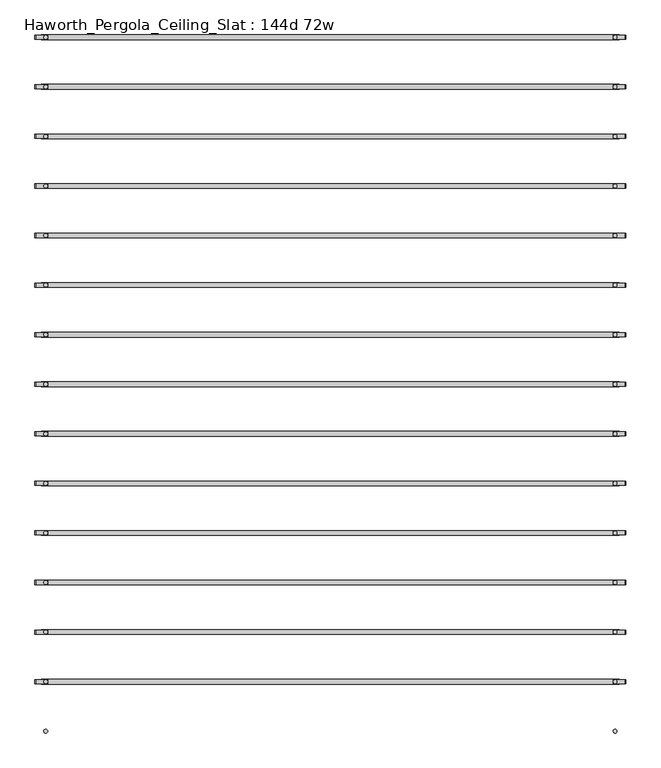
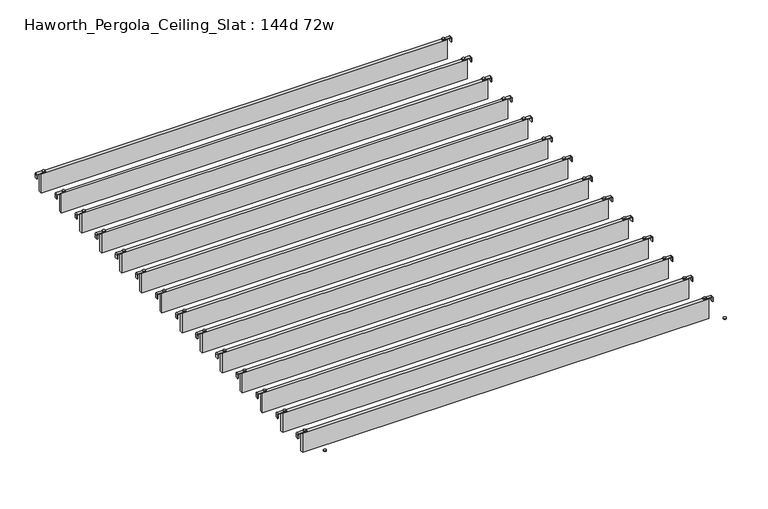
"""IFC4 building model written with IfcOpenShell, lengths in millimetres: furniture geometry, Haworth_Pergola_Ceiling_Slat : 144d 72w."""

from ifc_helpers import new_model, si_unit, point, frame, frame_2d, origin, place, context, project, spatial, polyline, circle_curve, trimmed, segment, composite_curve, outline, extrude, source, transform, mapped, element, save


def haworth_pergola_ceiling_slat_144d_72w_af443909(model_context):
    return source(origin(), model_context, "Body", "SweptSolid", [
        extrude(outline(composite_curve([segment(trimmed(circle_curve(frame_2d((938.8, 307.8756087)), 5.9838099), [point((932.8161901, 307.8756087))], [point((944.7838099, 307.8756087))], False, "CARTESIAN"), True, "CONTINUOUS"), segment(trimmed(circle_curve(frame_2d((938.8, 307.8756087)), 5.9838099), [point((944.7838099, 307.8756087))], [point((932.8161901, 307.8756087))], False, "CARTESIAN"), True, "CONTINUOUS")], self_intersect=False)), frame((0.0, 0.0, 2440.9329992), z_axis=(0.0, 0.0, 1.0), x_axis=(1.0, 0.0, 0.0)), (0.0, 0.0, 1.0), 3.4400008),
        extrude(outline(composite_curve([segment(trimmed(circle_curve(frame_2d((-862.6, 307.8756087)), 5.9838099), [point((-856.6161901, 307.8756087))], [point((-868.5838099, 307.8756087))], False, "CARTESIAN"), True, "CONTINUOUS"), segment(trimmed(circle_curve(frame_2d((-862.6, 307.8756087)), 5.9838099), [point((-868.5838099, 307.8756087))], [point((-856.6161901, 307.8756087))], False, "CARTESIAN"), True, "CONTINUOUS")], self_intersect=False)), frame((0.0, 0.0, 2440.9329992), z_axis=(0.0, 0.0, 1.0), x_axis=(1.0, 0.0, 0.0)), (0.0, 0.0, 1.0), 3.4400008),
        extrude(outline(composite_curve([segment(polyline([(2419.2231711, 972.96), (2437.2499992, 972.96)]), True, "CONTINUOUS"), segment(trimmed(circle_curve(frame_2d((2437.2499992, 969.277)), 3.683), [point((2437.2499992, 972.96))], [point((2440.9329992, 969.277))], False, "CARTESIAN"), True, "CONTINUOUS"), segment(polyline([(2440.9329992, 969.277), (2440.9329992, 932.3), (2438.2729997, 932.3), (2438.2729997, 969.2905568)]), True, "CONTINUOUS"), segment(trimmed(circle_curve(frame_2d((2437.2635571, 969.2905568)), 1.0094425), [point((2438.2729997, 969.2905568))], [point((2437.2635571, 970.2999993))], True, "CARTESIAN"), True, "CONTINUOUS"), segment(polyline([(2437.2635571, 970.2999993), (2419.2231711, 970.2999993), (2419.2231711, 972.96)]), True, "CONTINUOUS")], self_intersect=False)), frame((0.0, 301.3826084, 0.0), z_axis=(0.0, 1.0, 0.0), x_axis=(0.0, 0.0, 1.0)), (0.0, 0.0, 1.0), 13.0),
        extrude(outline(composite_curve([segment(polyline([(2419.2231711, -896.76), (2419.2231711, -894.0999993), (2437.2635571, -894.0999993)]), True, "CONTINUOUS"), segment(trimmed(circle_curve(frame_2d((2437.2635571, -893.0905568)), 1.0094425), [point((2437.2635571, -894.0999993))], [point((2438.2729997, -893.0905568))], True, "CARTESIAN"), True, "CONTINUOUS"), segment(polyline([(2438.2729997, -893.0905568), (2438.2729997, -856.1), (2440.9329992, -856.1), (2440.9329992, -893.077)]), True, "CONTINUOUS"), segment(trimmed(circle_curve(frame_2d((2437.2499992, -893.077)), 3.683), [point((2440.9329992, -893.077))], [point((2437.2499992, -896.76))], False, "CARTESIAN"), True, "CONTINUOUS"), segment(polyline([(2437.2499992, -896.76), (2419.2231711, -896.76)]), True, "CONTINUOUS")], self_intersect=False)), frame((0.0, 301.3826084, 0.0), z_axis=(0.0, 1.0, 0.0), x_axis=(0.0, 0.0, 1.0)), (0.0, 0.0, 1.0), 13.0),
        extrude(outline(polyline([(-876.3, 300.3826087), (-876.3, 315.3686087), (952.5, 315.3686087), (952.5, 300.3826087), (-876.3, 300.3826087)])), frame((0.0, 0.0, 2346.198), z_axis=(0.0, 0.0, 1.0), x_axis=(1.0, 0.0, 0.0)), (0.0, 0.0, 1.0), 92.202),
        extrude(outline(composite_curve([segment(trimmed(circle_curve(frame_2d((938.8, 151.0582174)), 5.9838099), [point((932.8161901, 151.0582174))], [point((944.7838099, 151.0582174))], False, "CARTESIAN"), True, "CONTINUOUS"), segment(trimmed(circle_curve(frame_2d((938.8, 151.0582174)), 5.9838099), [point((944.7838099, 151.0582174))], [point((932.8161901, 151.0582174))], False, "CARTESIAN"), True, "CONTINUOUS")], self_intersect=False)), frame((0.0, 0.0, 2440.9329992), z_axis=(0.0, 0.0, 1.0), x_axis=(1.0, 0.0, 0.0)), (0.0, 0.0, 1.0), 3.4400008),
        extrude(outline(composite_curve([segment(trimmed(circle_curve(frame_2d((-862.6, 151.0582174)), 5.9838099), [point((-856.6161901, 151.0582174))], [point((-868.5838099, 151.0582174))], False, "CARTESIAN"), True, "CONTINUOUS"), segment(trimmed(circle_curve(frame_2d((-862.6, 151.0582174)), 5.9838099), [point((-868.5838099, 151.0582174))], [point((-856.6161901, 151.0582174))], False, "CARTESIAN"), True, "CONTINUOUS")], self_intersect=False)), frame((0.0, 0.0, 2440.9329992), z_axis=(0.0, 0.0, 1.0), x_axis=(1.0, 0.0, 0.0)), (0.0, 0.0, 1.0), 3.4400008),
        extrude(outline(composite_curve([segment(polyline([(2419.2231711, 972.96), (2437.2499992, 972.96)]), True, "CONTINUOUS"), segment(trimmed(circle_curve(frame_2d((2437.2499992, 969.277)), 3.683), [point((2437.2499992, 972.96))], [point((2440.9329992, 969.277))], False, "CARTESIAN"), True, "CONTINUOUS"), segment(polyline([(2440.9329992, 969.277), (2440.9329992, 932.3), (2438.2729997, 932.3), (2438.2729997, 969.2905568)]), True, "CONTINUOUS"), segment(trimmed(circle_curve(frame_2d((2437.2635571, 969.2905568)), 1.0094425), [point((2438.2729997, 969.2905568))], [point((2437.2635571, 970.2999993))], True, "CARTESIAN"), True, "CONTINUOUS"), segment(polyline([(2437.2635571, 970.2999993), (2419.2231711, 970.2999993), (2419.2231711, 972.96)]), True, "CONTINUOUS")], self_intersect=False)), frame((0.0, 144.5652171, 0.0), z_axis=(0.0, 1.0, 0.0), x_axis=(0.0, 0.0, 1.0)), (0.0, 0.0, 1.0), 13.0),
        extrude(outline(composite_curve([segment(polyline([(2419.2231711, -896.76), (2419.2231711, -894.0999993), (2437.2635571, -894.0999993)]), True, "CONTINUOUS"), segment(trimmed(circle_curve(frame_2d((2437.2635571, -893.0905568)), 1.0094425), [point((2437.2635571, -894.0999993))], [point((2438.2729997, -893.0905568))], True, "CARTESIAN"), True, "CONTINUOUS"), segment(polyline([(2438.2729997, -893.0905568), (2438.2729997, -856.1), (2440.9329992, -856.1), (2440.9329992, -893.077)]), True, "CONTINUOUS"), segment(trimmed(circle_curve(frame_2d((2437.2499992, -893.077)), 3.683), [point((2440.9329992, -893.077))], [point((2437.2499992, -896.76))], False, "CARTESIAN"), True, "CONTINUOUS"), segment(polyline([(2437.2499992, -896.76), (2419.2231711, -896.76)]), True, "CONTINUOUS")], self_intersect=False)), frame((0.0, 144.5652171, 0.0), z_axis=(0.0, 1.0, 0.0), x_axis=(0.0, 0.0, 1.0)), (0.0, 0.0, 1.0), 13.0),
        extrude(outline(polyline([(-876.3, 143.5652174), (-876.3, 158.5512174), (952.5, 158.5512174), (952.5, 143.5652174), (-876.3, 143.5652174)])), frame((0.0, 0.0, 2346.198), z_axis=(0.0, 0.0, 1.0), x_axis=(1.0, 0.0, 0.0)), (0.0, 0.0, 1.0), 92.202),
        extrude(outline(composite_curve([segment(trimmed(circle_curve(frame_2d((938.8, -5.7591739)), 5.9838099), [point((932.8161901, -5.7591739))], [point((944.7838099, -5.7591739))], False, "CARTESIAN"), True, "CONTINUOUS"), segment(trimmed(circle_curve(frame_2d((938.8, -5.7591739)), 5.9838099), [point((944.7838099, -5.7591739))], [point((932.8161901, -5.7591739))], False, "CARTESIAN"), True, "CONTINUOUS")], self_intersect=False)), frame((0.0, 0.0, 2440.9329992), z_axis=(0.0, 0.0, 1.0), x_axis=(1.0, 0.0, 0.0)), (0.0, 0.0, 1.0), 3.4400008),
        extrude(outline(composite_curve([segment(trimmed(circle_curve(frame_2d((-862.6, -5.7591739)), 5.9838099), [point((-856.6161901, -5.7591739))], [point((-868.5838099, -5.7591739))], False, "CARTESIAN"), True, "CONTINUOUS"), segment(trimmed(circle_curve(frame_2d((-862.6, -5.7591739)), 5.9838099), [point((-868.5838099, -5.7591739))], [point((-856.6161901, -5.7591739))], False, "CARTESIAN"), True, "CONTINUOUS")], self_intersect=False)), frame((0.0, 0.0, 2440.9329992), z_axis=(0.0, 0.0, 1.0), x_axis=(1.0, 0.0, 0.0)), (0.0, 0.0, 1.0), 3.4400008),
        extrude(outline(composite_curve([segment(polyline([(2419.2231711, 972.96), (2437.2499992, 972.96)]), True, "CONTINUOUS"), segment(trimmed(circle_curve(frame_2d((2437.2499992, 969.277)), 3.683), [point((2437.2499992, 972.96))], [point((2440.9329992, 969.277))], False, "CARTESIAN"), True, "CONTINUOUS"), segment(polyline([(2440.9329992, 969.277), (2440.9329992, 932.3), (2438.2729997, 932.3), (2438.2729997, 969.2905568)]), True, "CONTINUOUS"), segment(trimmed(circle_curve(frame_2d((2437.2635571, 969.2905568)), 1.0094425), [point((2438.2729997, 969.2905568))], [point((2437.2635571, 970.2999993))], True, "CARTESIAN"), True, "CONTINUOUS"), segment(polyline([(2437.2635571, 970.2999993), (2419.2231711, 970.2999993), (2419.2231711, 972.96)]), True, "CONTINUOUS")], self_intersect=False)), frame((0.0, -12.2521743, 0.0), z_axis=(0.0, 1.0, 0.0), x_axis=(0.0, 0.0, 1.0)), (0.0, 0.0, 1.0), 13.0),
        extrude(outline(composite_curve([segment(polyline([(2419.2231711, -896.76), (2419.2231711, -894.0999993), (2437.2635571, -894.0999993)]), True, "CONTINUOUS"), segment(trimmed(circle_curve(frame_2d((2437.2635571, -893.0905568)), 1.0094425), [point((2437.2635571, -894.0999993))], [point((2438.2729997, -893.0905568))], True, "CARTESIAN"), True, "CONTINUOUS"), segment(polyline([(2438.2729997, -893.0905568), (2438.2729997, -856.1), (2440.9329992, -856.1), (2440.9329992, -893.077)]), True, "CONTINUOUS"), segment(trimmed(circle_curve(frame_2d((2437.2499992, -893.077)), 3.683), [point((2440.9329992, -893.077))], [point((2437.2499992, -896.76))], False, "CARTESIAN"), True, "CONTINUOUS"), segment(polyline([(2437.2499992, -896.76), (2419.2231711, -896.76)]), True, "CONTINUOUS")], self_intersect=False)), frame((0.0, -12.2521743, 0.0), z_axis=(0.0, 1.0, 0.0), x_axis=(0.0, 0.0, 1.0)), (0.0, 0.0, 1.0), 13.0),
        extrude(outline(polyline([(-876.3, -13.2521739), (-876.3, 1.7338261), (952.5, 1.7338261), (952.5, -13.2521739), (-876.3, -13.2521739)])), frame((0.0, 0.0, 2346.198), z_axis=(0.0, 0.0, 1.0), x_axis=(1.0, 0.0, 0.0)), (0.0, 0.0, 1.0), 92.202),
        extrude(outline(composite_curve([segment(trimmed(circle_curve(frame_2d((938.8, -162.5765652)), 5.9838099), [point((932.8161901, -162.5765652))], [point((944.7838099, -162.5765652))], False, "CARTESIAN"), True, "CONTINUOUS"), segment(trimmed(circle_curve(frame_2d((938.8, -162.5765652)), 5.9838099), [point((944.7838099, -162.5765652))], [point((932.8161901, -162.5765652))], False, "CARTESIAN"), True, "CONTINUOUS")], self_intersect=False)), frame((0.0, 0.0, 2440.9329992), z_axis=(0.0, 0.0, 1.0), x_axis=(1.0, 0.0, 0.0)), (0.0, 0.0, 1.0), 3.4400008),
        extrude(outline(composite_curve([segment(trimmed(circle_curve(frame_2d((-862.6, -162.5765652)), 5.9838099), [point((-856.6161901, -162.5765652))], [point((-868.5838099, -162.5765652))], False, "CARTESIAN"), True, "CONTINUOUS"), segment(trimmed(circle_curve(frame_2d((-862.6, -162.5765652)), 5.9838099), [point((-868.5838099, -162.5765652))], [point((-856.6161901, -162.5765652))], False, "CARTESIAN"), True, "CONTINUOUS")], self_intersect=False)), frame((0.0, 0.0, 2440.9329992), z_axis=(0.0, 0.0, 1.0), x_axis=(1.0, 0.0, 0.0)), (0.0, 0.0, 1.0), 3.4400008),
        extrude(outline(composite_curve([segment(polyline([(2419.2231711, 972.96), (2437.2499992, 972.96)]), True, "CONTINUOUS"), segment(trimmed(circle_curve(frame_2d((2437.2499992, 969.277)), 3.683), [point((2437.2499992, 972.96))], [point((2440.9329992, 969.277))], False, "CARTESIAN"), True, "CONTINUOUS"), segment(polyline([(2440.9329992, 969.277), (2440.9329992, 932.3), (2438.2729997, 932.3), (2438.2729997, 969.2905568)]), True, "CONTINUOUS"), segment(trimmed(circle_curve(frame_2d((2437.2635571, 969.2905568)), 1.0094425), [point((2438.2729997, 969.2905568))], [point((2437.2635571, 970.2999993))], True, "CARTESIAN"), True, "CONTINUOUS"), segment(polyline([(2437.2635571, 970.2999993), (2419.2231711, 970.2999993), (2419.2231711, 972.96)]), True, "CONTINUOUS")], self_intersect=False)), frame((0.0, -169.0695656, 0.0), z_axis=(0.0, 1.0, 0.0), x_axis=(0.0, 0.0, 1.0)), (0.0, 0.0, 1.0), 13.0),
        extrude(outline(composite_curve([segment(polyline([(2419.2231711, -896.76), (2419.2231711, -894.0999993), (2437.2635571, -894.0999993)]), True, "CONTINUOUS"), segment(trimmed(circle_curve(frame_2d((2437.2635571, -893.0905568)), 1.0094425), [point((2437.2635571, -894.0999993))], [point((2438.2729997, -893.0905568))], True, "CARTESIAN"), True, "CONTINUOUS"), segment(polyline([(2438.2729997, -893.0905568), (2438.2729997, -856.1), (2440.9329992, -856.1), (2440.9329992, -893.077)]), True, "CONTINUOUS"), segment(trimmed(circle_curve(frame_2d((2437.2499992, -893.077)), 3.683), [point((2440.9329992, -893.077))], [point((2437.2499992, -896.76))], False, "CARTESIAN"), True, "CONTINUOUS"), segment(polyline([(2437.2499992, -896.76), (2419.2231711, -896.76)]), True, "CONTINUOUS")], self_intersect=False)), frame((0.0, -169.0695656, 0.0), z_axis=(0.0, 1.0, 0.0), x_axis=(0.0, 0.0, 1.0)), (0.0, 0.0, 1.0), 13.0),
        extrude(outline(polyline([(-876.3, -170.0695652), (-876.3, -155.0835652), (952.5, -155.0835652), (952.5, -170.0695652), (-876.3, -170.0695652)])), frame((0.0, 0.0, 2346.198), z_axis=(0.0, 0.0, 1.0), x_axis=(1.0, 0.0, 0.0)), (0.0, 0.0, 1.0), 92.202),
        extrude(outline(composite_curve([segment(trimmed(circle_curve(frame_2d((938.8, -319.3939565)), 5.9838099), [point((932.8161901, -319.3939565))], [point((944.7838099, -319.3939565))], False, "CARTESIAN"), True, "CONTINUOUS"), segment(trimmed(circle_curve(frame_2d((938.8, -319.3939565)), 5.9838099), [point((944.7838099, -319.3939565))], [point((932.8161901, -319.3939565))], False, "CARTESIAN"), True, "CONTINUOUS")], self_intersect=False)), frame((0.0, 0.0, 2440.9329992), z_axis=(0.0, 0.0, 1.0), x_axis=(1.0, 0.0, 0.0)), (0.0, 0.0, 1.0), 3.4400008),
        extrude(outline(composite_curve([segment(trimmed(circle_curve(frame_2d((-862.6, -319.3939565)), 5.9838099), [point((-856.6161901, -319.3939565))], [point((-868.5838099, -319.3939565))], False, "CARTESIAN"), True, "CONTINUOUS"), segment(trimmed(circle_curve(frame_2d((-862.6, -319.3939565)), 5.9838099), [point((-868.5838099, -319.3939565))], [point((-856.6161901, -319.3939565))], False, "CARTESIAN"), True, "CONTINUOUS")], self_intersect=False)), frame((0.0, 0.0, 2440.9329992), z_axis=(0.0, 0.0, 1.0), x_axis=(1.0, 0.0, 0.0)), (0.0, 0.0, 1.0), 3.4400008),
        extrude(outline(composite_curve([segment(polyline([(2419.2231711, 972.96), (2437.2499992, 972.96)]), True, "CONTINUOUS"), segment(trimmed(circle_curve(frame_2d((2437.2499992, 969.277)), 3.683), [point((2437.2499992, 972.96))], [point((2440.9329992, 969.277))], False, "CARTESIAN"), True, "CONTINUOUS"), segment(polyline([(2440.9329992, 969.277), (2440.9329992, 932.3), (2438.2729997, 932.3), (2438.2729997, 969.2905568)]), True, "CONTINUOUS"), segment(trimmed(circle_curve(frame_2d((2437.2635571, 969.2905568)), 1.0094425), [point((2438.2729997, 969.2905568))], [point((2437.2635571, 970.2999993))], True, "CARTESIAN"), True, "CONTINUOUS"), segment(polyline([(2437.2635571, 970.2999993), (2419.2231711, 970.2999993), (2419.2231711, 972.96)]), True, "CONTINUOUS")], self_intersect=False)), frame((0.0, -325.8869569, 0.0), z_axis=(0.0, 1.0, 0.0), x_axis=(0.0, 0.0, 1.0)), (0.0, 0.0, 1.0), 13.0),
        extrude(outline(composite_curve([segment(polyline([(2419.2231711, -896.76), (2419.2231711, -894.0999993), (2437.2635571, -894.0999993)]), True, "CONTINUOUS"), segment(trimmed(circle_curve(frame_2d((2437.2635571, -893.0905568)), 1.0094425), [point((2437.2635571, -894.0999993))], [point((2438.2729997, -893.0905568))], True, "CARTESIAN"), True, "CONTINUOUS"), segment(polyline([(2438.2729997, -893.0905568), (2438.2729997, -856.1), (2440.9329992, -856.1), (2440.9329992, -893.077)]), True, "CONTINUOUS"), segment(trimmed(circle_curve(frame_2d((2437.2499992, -893.077)), 3.683), [point((2440.9329992, -893.077))], [point((2437.2499992, -896.76))], False, "CARTESIAN"), True, "CONTINUOUS"), segment(polyline([(2437.2499992, -896.76), (2419.2231711, -896.76)]), True, "CONTINUOUS")], self_intersect=False)), frame((0.0, -325.8869569, 0.0), z_axis=(0.0, 1.0, 0.0), x_axis=(0.0, 0.0, 1.0)), (0.0, 0.0, 1.0), 13.0),
        extrude(outline(polyline([(-876.3, -326.8869565), (-876.3, -311.9009565), (952.5, -311.9009565), (952.5, -326.8869565), (-876.3, -326.8869565)])), frame((0.0, 0.0, 2346.198), z_axis=(0.0, 0.0, 1.0), x_axis=(1.0, 0.0, 0.0)), (0.0, 0.0, 1.0), 92.202),
        extrude(outline(composite_curve([segment(trimmed(circle_curve(frame_2d((938.8, -476.2113478)), 5.9838099), [point((932.8161901, -476.2113478))], [point((944.7838099, -476.2113478))], False, "CARTESIAN"), True, "CONTINUOUS"), segment(trimmed(circle_curve(frame_2d((938.8, -476.2113478)), 5.9838099), [point((944.7838099, -476.2113478))], [point((932.8161901, -476.2113478))], False, "CARTESIAN"), True, "CONTINUOUS")], self_intersect=False)), frame((0.0, 0.0, 2440.9329992), z_axis=(0.0, 0.0, 1.0), x_axis=(1.0, 0.0, 0.0)), (0.0, 0.0, 1.0), 3.4400008),
        extrude(outline(composite_curve([segment(trimmed(circle_curve(frame_2d((-862.6, -476.2113478)), 5.9838099), [point((-856.6161901, -476.2113478))], [point((-868.5838099, -476.2113478))], False, "CARTESIAN"), True, "CONTINUOUS"), segment(trimmed(circle_curve(frame_2d((-862.6, -476.2113478)), 5.9838099), [point((-868.5838099, -476.2113478))], [point((-856.6161901, -476.2113478))], False, "CARTESIAN"), True, "CONTINUOUS")], self_intersect=False)), frame((0.0, 0.0, 2440.9329992), z_axis=(0.0, 0.0, 1.0), x_axis=(1.0, 0.0, 0.0)), (0.0, 0.0, 1.0), 3.4400008),
        extrude(outline(composite_curve([segment(polyline([(2419.2231711, 972.96), (2437.2499992, 972.96)]), True, "CONTINUOUS"), segment(trimmed(circle_curve(frame_2d((2437.2499992, 969.277)), 3.683), [point((2437.2499992, 972.96))], [point((2440.9329992, 969.277))], False, "CARTESIAN"), True, "CONTINUOUS"), segment(polyline([(2440.9329992, 969.277), (2440.9329992, 932.3), (2438.2729997, 932.3), (2438.2729997, 969.2905568)]), True, "CONTINUOUS"), segment(trimmed(circle_curve(frame_2d((2437.2635571, 969.2905568)), 1.0094425), [point((2438.2729997, 969.2905568))], [point((2437.2635571, 970.2999993))], True, "CARTESIAN"), True, "CONTINUOUS"), segment(polyline([(2437.2635571, 970.2999993), (2419.2231711, 970.2999993), (2419.2231711, 972.96)]), True, "CONTINUOUS")], self_intersect=False)), frame((0.0, -482.7043482, 0.0), z_axis=(0.0, 1.0, 0.0), x_axis=(0.0, 0.0, 1.0)), (0.0, 0.0, 1.0), 13.0),
        extrude(outline(composite_curve([segment(polyline([(2419.2231711, -896.76), (2419.2231711, -894.0999993), (2437.2635571, -894.0999993)]), True, "CONTINUOUS"), segment(trimmed(circle_curve(frame_2d((2437.2635571, -893.0905568)), 1.0094425), [point((2437.2635571, -894.0999993))], [point((2438.2729997, -893.0905568))], True, "CARTESIAN"), True, "CONTINUOUS"), segment(polyline([(2438.2729997, -893.0905568), (2438.2729997, -856.1), (2440.9329992, -856.1), (2440.9329992, -893.077)]), True, "CONTINUOUS"), segment(trimmed(circle_curve(frame_2d((2437.2499992, -893.077)), 3.683), [point((2440.9329992, -893.077))], [point((2437.2499992, -896.76))], False, "CARTESIAN"), True, "CONTINUOUS"), segment(polyline([(2437.2499992, -896.76), (2419.2231711, -896.76)]), True, "CONTINUOUS")], self_intersect=False)), frame((0.0, -482.7043482, 0.0), z_axis=(0.0, 1.0, 0.0), x_axis=(0.0, 0.0, 1.0)), (0.0, 0.0, 1.0), 13.0),
        extrude(outline(polyline([(-876.3, -483.7043478), (-876.3, -468.7183478), (952.5, -468.7183478), (952.5, -483.7043478), (-876.3, -483.7043478)])), frame((0.0, 0.0, 2346.198), z_axis=(0.0, 0.0, 1.0), x_axis=(1.0, 0.0, 0.0)), (0.0, 0.0, 1.0), 92.202),
        extrude(outline(composite_curve([segment(trimmed(circle_curve(frame_2d((938.8, -633.0287391)), 5.9838099), [point((932.8161901, -633.0287391))], [point((944.7838099, -633.0287391))], False, "CARTESIAN"), True, "CONTINUOUS"), segment(trimmed(circle_curve(frame_2d((938.8, -633.0287391)), 5.9838099), [point((944.7838099, -633.0287391))], [point((932.8161901, -633.0287391))], False, "CARTESIAN"), True, "CONTINUOUS")], self_intersect=False)), frame((0.0, 0.0, 2440.9329992), z_axis=(0.0, 0.0, 1.0), x_axis=(1.0, 0.0, 0.0)), (0.0, 0.0, 1.0), 3.4400008),
        extrude(outline(composite_curve([segment(trimmed(circle_curve(frame_2d((-862.6, -633.0287391)), 5.9838099), [point((-856.6161901, -633.0287391))], [point((-868.5838099, -633.0287391))], False, "CARTESIAN"), True, "CONTINUOUS"), segment(trimmed(circle_curve(frame_2d((-862.6, -633.0287391)), 5.9838099), [point((-868.5838099, -633.0287391))], [point((-856.6161901, -633.0287391))], False, "CARTESIAN"), True, "CONTINUOUS")], self_intersect=False)), frame((0.0, 0.0, 2440.9329992), z_axis=(0.0, 0.0, 1.0), x_axis=(1.0, 0.0, 0.0)), (0.0, 0.0, 1.0), 3.4400008),
        extrude(outline(composite_curve([segment(polyline([(2419.2231711, 972.96), (2437.2499992, 972.96)]), True, "CONTINUOUS"), segment(trimmed(circle_curve(frame_2d((2437.2499992, 969.277)), 3.683), [point((2437.2499992, 972.96))], [point((2440.9329992, 969.277))], False, "CARTESIAN"), True, "CONTINUOUS"), segment(polyline([(2440.9329992, 969.277), (2440.9329992, 932.3), (2438.2729997, 932.3), (2438.2729997, 969.2905568)]), True, "CONTINUOUS"), segment(trimmed(circle_curve(frame_2d((2437.2635571, 969.2905568)), 1.0094425), [point((2438.2729997, 969.2905568))], [point((2437.2635571, 970.2999993))], True, "CARTESIAN"), True, "CONTINUOUS"), segment(polyline([(2437.2635571, 970.2999993), (2419.2231711, 970.2999993), (2419.2231711, 972.96)]), True, "CONTINUOUS")], self_intersect=False)), frame((0.0, -639.5217395, 0.0), z_axis=(0.0, 1.0, 0.0), x_axis=(0.0, 0.0, 1.0)), (0.0, 0.0, 1.0), 13.0),
        extrude(outline(composite_curve([segment(polyline([(2419.2231711, -896.76), (2419.2231711, -894.0999993), (2437.2635571, -894.0999993)]), True, "CONTINUOUS"), segment(trimmed(circle_curve(frame_2d((2437.2635571, -893.0905568)), 1.0094425), [point((2437.2635571, -894.0999993))], [point((2438.2729997, -893.0905568))], True, "CARTESIAN"), True, "CONTINUOUS"), segment(polyline([(2438.2729997, -893.0905568), (2438.2729997, -856.1), (2440.9329992, -856.1), (2440.9329992, -893.077)]), True, "CONTINUOUS"), segment(trimmed(circle_curve(frame_2d((2437.2499992, -893.077)), 3.683), [point((2440.9329992, -893.077))], [point((2437.2499992, -896.76))], False, "CARTESIAN"), True, "CONTINUOUS"), segment(polyline([(2437.2499992, -896.76), (2419.2231711, -896.76)]), True, "CONTINUOUS")], self_intersect=False)), frame((0.0, -639.5217395, 0.0), z_axis=(0.0, 1.0, 0.0), x_axis=(0.0, 0.0, 1.0)), (0.0, 0.0, 1.0), 13.0),
        extrude(outline(polyline([(-876.3, -640.5217391), (-876.3, -625.5357391), (952.5, -625.5357391), (952.5, -640.5217391), (-876.3, -640.5217391)])), frame((0.0, 0.0, 2346.198), z_axis=(0.0, 0.0, 1.0), x_axis=(1.0, 0.0, 0.0)), (0.0, 0.0, 1.0), 92.202),
        extrude(outline(composite_curve([segment(trimmed(circle_curve(frame_2d((938.8, -789.8461304)), 5.9838099), [point((932.8161901, -789.8461304))], [point((944.7838099, -789.8461304))], False, "CARTESIAN"), True, "CONTINUOUS"), segment(trimmed(circle_curve(frame_2d((938.8, -789.8461304)), 5.9838099), [point((944.7838099, -789.8461304))], [point((932.8161901, -789.8461304))], False, "CARTESIAN"), True, "CONTINUOUS")], self_intersect=False)), frame((0.0, 0.0, 2440.9329992), z_axis=(0.0, 0.0, 1.0), x_axis=(1.0, 0.0, 0.0)), (0.0, 0.0, 1.0), 3.4400008),
        extrude(outline(composite_curve([segment(trimmed(circle_curve(frame_2d((-862.6, -789.8461304)), 5.9838099), [point((-856.6161901, -789.8461304))], [point((-868.5838099, -789.8461304))], False, "CARTESIAN"), True, "CONTINUOUS"), segment(trimmed(circle_curve(frame_2d((-862.6, -789.8461304)), 5.9838099), [point((-868.5838099, -789.8461304))], [point((-856.6161901, -789.8461304))], False, "CARTESIAN"), True, "CONTINUOUS")], self_intersect=False)), frame((0.0, 0.0, 2440.9329992), z_axis=(0.0, 0.0, 1.0), x_axis=(1.0, 0.0, 0.0)), (0.0, 0.0, 1.0), 3.4400008),
        extrude(outline(composite_curve([segment(polyline([(2419.2231711, 972.96), (2437.2499992, 972.96)]), True, "CONTINUOUS"), segment(trimmed(circle_curve(frame_2d((2437.2499992, 969.277)), 3.683), [point((2437.2499992, 972.96))], [point((2440.9329992, 969.277))], False, "CARTESIAN"), True, "CONTINUOUS"), segment(polyline([(2440.9329992, 969.277), (2440.9329992, 932.3), (2438.2729997, 932.3), (2438.2729997, 969.2905568)]), True, "CONTINUOUS"), segment(trimmed(circle_curve(frame_2d((2437.2635571, 969.2905568)), 1.0094425), [point((2438.2729997, 969.2905568))], [point((2437.2635571, 970.2999993))], True, "CARTESIAN"), True, "CONTINUOUS"), segment(polyline([(2437.2635571, 970.2999993), (2419.2231711, 970.2999993), (2419.2231711, 972.96)]), True, "CONTINUOUS")], self_intersect=False)), frame((0.0, -796.3391308, 0.0), z_axis=(0.0, 1.0, 0.0), x_axis=(0.0, 0.0, 1.0)), (0.0, 0.0, 1.0), 13.0),
        extrude(outline(composite_curve([segment(polyline([(2419.2231711, -896.76), (2419.2231711, -894.0999993), (2437.2635571, -894.0999993)]), True, "CONTINUOUS"), segment(trimmed(circle_curve(frame_2d((2437.2635571, -893.0905568)), 1.0094425), [point((2437.2635571, -894.0999993))], [point((2438.2729997, -893.0905568))], True, "CARTESIAN"), True, "CONTINUOUS"), segment(polyline([(2438.2729997, -893.0905568), (2438.2729997, -856.1), (2440.9329992, -856.1), (2440.9329992, -893.077)]), True, "CONTINUOUS"), segment(trimmed(circle_curve(frame_2d((2437.2499992, -893.077)), 3.683), [point((2440.9329992, -893.077))], [point((2437.2499992, -896.76))], False, "CARTESIAN"), True, "CONTINUOUS"), segment(polyline([(2437.2499992, -896.76), (2419.2231711, -896.76)]), True, "CONTINUOUS")], self_intersect=False)), frame((0.0, -796.3391308, 0.0), z_axis=(0.0, 1.0, 0.0), x_axis=(0.0, 0.0, 1.0)), (0.0, 0.0, 1.0), 13.0),
        extrude(outline(polyline([(-876.3, -797.3391304), (-876.3, -782.3531304), (952.5, -782.3531304), (952.5, -797.3391304), (-876.3, -797.3391304)])), frame((0.0, 0.0, 2346.198), z_axis=(0.0, 0.0, 1.0), x_axis=(1.0, 0.0, 0.0)), (0.0, 0.0, 1.0), 92.202),
        extrude(outline(composite_curve([segment(trimmed(circle_curve(frame_2d((938.8, -946.6635217)), 5.9838099), [point((932.8161901, -946.6635217))], [point((944.7838099, -946.6635217))], False, "CARTESIAN"), True, "CONTINUOUS"), segment(trimmed(circle_curve(frame_2d((938.8, -946.6635217)), 5.9838099), [point((944.7838099, -946.6635217))], [point((932.8161901, -946.6635217))], False, "CARTESIAN"), True, "CONTINUOUS")], self_intersect=False)), frame((0.0, 0.0, 2440.9329992), z_axis=(0.0, 0.0, 1.0), x_axis=(1.0, 0.0, 0.0)), (0.0, 0.0, 1.0), 3.4400008),
        extrude(outline(composite_curve([segment(trimmed(circle_curve(frame_2d((-862.6, -946.6635217)), 5.9838099), [point((-856.6161901, -946.6635217))], [point((-868.5838099, -946.6635217))], False, "CARTESIAN"), True, "CONTINUOUS"), segment(trimmed(circle_curve(frame_2d((-862.6, -946.6635217)), 5.9838099), [point((-868.5838099, -946.6635217))], [point((-856.6161901, -946.6635217))], False, "CARTESIAN"), True, "CONTINUOUS")], self_intersect=False)), frame((0.0, 0.0, 2440.9329992), z_axis=(0.0, 0.0, 1.0), x_axis=(1.0, 0.0, 0.0)), (0.0, 0.0, 1.0), 3.4400008),
        extrude(outline(composite_curve([segment(polyline([(2419.2231711, 972.96), (2437.2499992, 972.96)]), True, "CONTINUOUS"), segment(trimmed(circle_curve(frame_2d((2437.2499992, 969.277)), 3.683), [point((2437.2499992, 972.96))], [point((2440.9329992, 969.277))], False, "CARTESIAN"), True, "CONTINUOUS"), segment(polyline([(2440.9329992, 969.277), (2440.9329992, 932.3), (2438.2729997, 932.3), (2438.2729997, 969.2905568)]), True, "CONTINUOUS"), segment(trimmed(circle_curve(frame_2d((2437.2635571, 969.2905568)), 1.0094425), [point((2438.2729997, 969.2905568))], [point((2437.2635571, 970.2999993))], True, "CARTESIAN"), True, "CONTINUOUS"), segment(polyline([(2437.2635571, 970.2999993), (2419.2231711, 970.2999993), (2419.2231711, 972.96)]), True, "CONTINUOUS")], self_intersect=False)), frame((0.0, -953.1565221, 0.0), z_axis=(0.0, 1.0, 0.0), x_axis=(0.0, 0.0, 1.0)), (0.0, 0.0, 1.0), 13.0),
        extrude(outline(composite_curve([segment(polyline([(2419.2231711, -896.76), (2419.2231711, -894.0999993), (2437.2635571, -894.0999993)]), True, "CONTINUOUS"), segment(trimmed(circle_curve(frame_2d((2437.2635571, -893.0905568)), 1.0094425), [point((2437.2635571, -894.0999993))], [point((2438.2729997, -893.0905568))], True, "CARTESIAN"), True, "CONTINUOUS"), segment(polyline([(2438.2729997, -893.0905568), (2438.2729997, -856.1), (2440.9329992, -856.1), (2440.9329992, -893.077)]), True, "CONTINUOUS"), segment(trimmed(circle_curve(frame_2d((2437.2499992, -893.077)), 3.683), [point((2440.9329992, -893.077))], [point((2437.2499992, -896.76))], False, "CARTESIAN"), True, "CONTINUOUS"), segment(polyline([(2437.2499992, -896.76), (2419.2231711, -896.76)]), True, "CONTINUOUS")], self_intersect=False)), frame((0.0, -953.1565221, 0.0), z_axis=(0.0, 1.0, 0.0), x_axis=(0.0, 0.0, 1.0)), (0.0, 0.0, 1.0), 13.0),
        extrude(outline(polyline([(-876.3, -954.1565217), (-876.3, -939.1705217), (952.5, -939.1705217), (952.5, -954.1565217), (-876.3, -954.1565217)])), frame((0.0, 0.0, 2346.198), z_axis=(0.0, 0.0, 1.0), x_axis=(1.0, 0.0, 0.0)), (0.0, 0.0, 1.0), 92.202),
        extrude(outline(composite_curve([segment(trimmed(circle_curve(frame_2d((938.8, -1103.480913)), 5.9838099), [point((932.8161901, -1103.480913))], [point((944.7838099, -1103.480913))], False, "CARTESIAN"), True, "CONTINUOUS"), segment(trimmed(circle_curve(frame_2d((938.8, -1103.480913)), 5.9838099), [point((944.7838099, -1103.480913))], [point((932.8161901, -1103.480913))], False, "CARTESIAN"), True, "CONTINUOUS")], self_intersect=False)), frame((0.0, 0.0, 2440.9329992), z_axis=(0.0, 0.0, 1.0), x_axis=(1.0, 0.0, 0.0)), (0.0, 0.0, 1.0), 3.4400008),
        extrude(outline(composite_curve([segment(trimmed(circle_curve(frame_2d((-862.6, -1103.480913)), 5.9838099), [point((-856.6161901, -1103.480913))], [point((-868.5838099, -1103.480913))], False, "CARTESIAN"), True, "CONTINUOUS"), segment(trimmed(circle_curve(frame_2d((-862.6, -1103.480913)), 5.9838099), [point((-868.5838099, -1103.480913))], [point((-856.6161901, -1103.480913))], False, "CARTESIAN"), True, "CONTINUOUS")], self_intersect=False)), frame((0.0, 0.0, 2440.9329992), z_axis=(0.0, 0.0, 1.0), x_axis=(1.0, 0.0, 0.0)), (0.0, 0.0, 1.0), 3.4400008),
        extrude(outline(composite_curve([segment(polyline([(2419.2231711, 972.96), (2437.2499992, 972.96)]), True, "CONTINUOUS"), segment(trimmed(circle_curve(frame_2d((2437.2499992, 969.277)), 3.683), [point((2437.2499992, 972.96))], [point((2440.9329992, 969.277))], False, "CARTESIAN"), True, "CONTINUOUS"), segment(polyline([(2440.9329992, 969.277), (2440.9329992, 932.3), (2438.2729997, 932.3), (2438.2729997, 969.2905568)]), True, "CONTINUOUS"), segment(trimmed(circle_curve(frame_2d((2437.2635571, 969.2905568)), 1.0094425), [point((2438.2729997, 969.2905568))], [point((2437.2635571, 970.2999993))], True, "CARTESIAN"), True, "CONTINUOUS"), segment(polyline([(2437.2635571, 970.2999993), (2419.2231711, 970.2999993), (2419.2231711, 972.96)]), True, "CONTINUOUS")], self_intersect=False)), frame((0.0, -1109.9739134, 0.0), z_axis=(0.0, 1.0, 0.0), x_axis=(0.0, 0.0, 1.0)), (0.0, 0.0, 1.0), 13.0),
        extrude(outline(composite_curve([segment(polyline([(2419.2231711, -896.76), (2419.2231711, -894.0999993), (2437.2635571, -894.0999993)]), True, "CONTINUOUS"), segment(trimmed(circle_curve(frame_2d((2437.2635571, -893.0905568)), 1.0094425), [point((2437.2635571, -894.0999993))], [point((2438.2729997, -893.0905568))], True, "CARTESIAN"), True, "CONTINUOUS"), segment(polyline([(2438.2729997, -893.0905568), (2438.2729997, -856.1), (2440.9329992, -856.1), (2440.9329992, -893.077)]), True, "CONTINUOUS"), segment(trimmed(circle_curve(frame_2d((2437.2499992, -893.077)), 3.683), [point((2440.9329992, -893.077))], [point((2437.2499992, -896.76))], False, "CARTESIAN"), True, "CONTINUOUS"), segment(polyline([(2437.2499992, -896.76), (2419.2231711, -896.76)]), True, "CONTINUOUS")], self_intersect=False)), frame((0.0, -1109.9739134, 0.0), z_axis=(0.0, 1.0, 0.0), x_axis=(0.0, 0.0, 1.0)), (0.0, 0.0, 1.0), 13.0),
        extrude(outline(polyline([(-876.3, -1110.973913), (-876.3, -1095.987913), (952.5, -1095.987913), (952.5, -1110.973913), (-876.3, -1110.973913)])), frame((0.0, 0.0, 2346.198), z_axis=(0.0, 0.0, 1.0), x_axis=(1.0, 0.0, 0.0)), (0.0, 0.0, 1.0), 92.202),
        extrude(outline(composite_curve([segment(trimmed(circle_curve(frame_2d((938.8, -1260.2983043)), 5.9838099), [point((932.8161901, -1260.2983043))], [point((944.7838099, -1260.2983043))], False, "CARTESIAN"), True, "CONTINUOUS"), segment(trimmed(circle_curve(frame_2d((938.8, -1260.2983043)), 5.9838099), [point((944.7838099, -1260.2983043))], [point((932.8161901, -1260.2983043))], False, "CARTESIAN"), True, "CONTINUOUS")], self_intersect=False)), frame((0.0, 0.0, 2440.9329992), z_axis=(0.0, 0.0, 1.0), x_axis=(1.0, 0.0, 0.0)), (0.0, 0.0, 1.0), 3.4400008),
        extrude(outline(composite_curve([segment(trimmed(circle_curve(frame_2d((-862.6, -1260.2983043)), 5.9838099), [point((-856.6161901, -1260.2983043))], [point((-868.5838099, -1260.2983043))], False, "CARTESIAN"), True, "CONTINUOUS"), segment(trimmed(circle_curve(frame_2d((-862.6, -1260.2983043)), 5.9838099), [point((-868.5838099, -1260.2983043))], [point((-856.6161901, -1260.2983043))], False, "CARTESIAN"), True, "CONTINUOUS")], self_intersect=False)), frame((0.0, 0.0, 2440.9329992), z_axis=(0.0, 0.0, 1.0), x_axis=(1.0, 0.0, 0.0)), (0.0, 0.0, 1.0), 3.4400008),
        extrude(outline(composite_curve([segment(polyline([(2419.2231711, 972.96), (2437.2499992, 972.96)]), True, "CONTINUOUS"), segment(trimmed(circle_curve(frame_2d((2437.2499992, 969.277)), 3.683), [point((2437.2499992, 972.96))], [point((2440.9329992, 969.277))], False, "CARTESIAN"), True, "CONTINUOUS"), segment(polyline([(2440.9329992, 969.277), (2440.9329992, 932.3), (2438.2729997, 932.3), (2438.2729997, 969.2905568)]), True, "CONTINUOUS"), segment(trimmed(circle_curve(frame_2d((2437.2635571, 969.2905568)), 1.0094425), [point((2438.2729997, 969.2905568))], [point((2437.2635571, 970.2999993))], True, "CARTESIAN"), True, "CONTINUOUS"), segment(polyline([(2437.2635571, 970.2999993), (2419.2231711, 970.2999993), (2419.2231711, 972.96)]), True, "CONTINUOUS")], self_intersect=False)), frame((0.0, -1266.7913047, 0.0), z_axis=(0.0, 1.0, 0.0), x_axis=(0.0, 0.0, 1.0)), (0.0, 0.0, 1.0), 13.0),
        extrude(outline(composite_curve([segment(polyline([(2419.2231711, -896.76), (2419.2231711, -894.0999993), (2437.2635571, -894.0999993)]), True, "CONTINUOUS"), segment(trimmed(circle_curve(frame_2d((2437.2635571, -893.0905568)), 1.0094425), [point((2437.2635571, -894.0999993))], [point((2438.2729997, -893.0905568))], True, "CARTESIAN"), True, "CONTINUOUS"), segment(polyline([(2438.2729997, -893.0905568), (2438.2729997, -856.1), (2440.9329992, -856.1), (2440.9329992, -893.077)]), True, "CONTINUOUS"), segment(trimmed(circle_curve(frame_2d((2437.2499992, -893.077)), 3.683), [point((2440.9329992, -893.077))], [point((2437.2499992, -896.76))], False, "CARTESIAN"), True, "CONTINUOUS"), segment(polyline([(2437.2499992, -896.76), (2419.2231711, -896.76)]), True, "CONTINUOUS")], self_intersect=False)), frame((0.0, -1266.7913047, 0.0), z_axis=(0.0, 1.0, 0.0), x_axis=(0.0, 0.0, 1.0)), (0.0, 0.0, 1.0), 13.0),
        extrude(outline(polyline([(-876.3, -1267.7913043), (-876.3, -1252.8053043), (952.5, -1252.8053043), (952.5, -1267.7913043), (-876.3, -1267.7913043)])), frame((0.0, 0.0, 2346.198), z_axis=(0.0, 0.0, 1.0), x_axis=(1.0, 0.0, 0.0)), (0.0, 0.0, 1.0), 92.202),
        extrude(outline(composite_curve([segment(trimmed(circle_curve(frame_2d((938.8, -1417.1156957)), 5.9838099), [point((932.8161901, -1417.1156957))], [point((944.7838099, -1417.1156957))], False, "CARTESIAN"), True, "CONTINUOUS"), segment(trimmed(circle_curve(frame_2d((938.8, -1417.1156957)), 5.9838099), [point((944.7838099, -1417.1156957))], [point((932.8161901, -1417.1156957))], False, "CARTESIAN"), True, "CONTINUOUS")], self_intersect=False)), frame((0.0, 0.0, 2440.9329992), z_axis=(0.0, 0.0, 1.0), x_axis=(1.0, 0.0, 0.0)), (0.0, 0.0, 1.0), 3.4400008),
        extrude(outline(composite_curve([segment(trimmed(circle_curve(frame_2d((-862.6, -1417.1156957)), 5.9838099), [point((-856.6161901, -1417.1156957))], [point((-868.5838099, -1417.1156957))], False, "CARTESIAN"), True, "CONTINUOUS"), segment(trimmed(circle_curve(frame_2d((-862.6, -1417.1156957)), 5.9838099), [point((-868.5838099, -1417.1156957))], [point((-856.6161901, -1417.1156957))], False, "CARTESIAN"), True, "CONTINUOUS")], self_intersect=False)), frame((0.0, 0.0, 2440.9329992), z_axis=(0.0, 0.0, 1.0), x_axis=(1.0, 0.0, 0.0)), (0.0, 0.0, 1.0), 3.4400008),
        extrude(outline(composite_curve([segment(polyline([(2419.2231711, 972.96), (2437.2499992, 972.96)]), True, "CONTINUOUS"), segment(trimmed(circle_curve(frame_2d((2437.2499992, 969.277)), 3.683), [point((2437.2499992, 972.96))], [point((2440.9329992, 969.277))], False, "CARTESIAN"), True, "CONTINUOUS"), segment(polyline([(2440.9329992, 969.277), (2440.9329992, 932.3), (2438.2729997, 932.3), (2438.2729997, 969.2905568)]), True, "CONTINUOUS"), segment(trimmed(circle_curve(frame_2d((2437.2635571, 969.2905568)), 1.0094425), [point((2438.2729997, 969.2905568))], [point((2437.2635571, 970.2999993))], True, "CARTESIAN"), True, "CONTINUOUS"), segment(polyline([(2437.2635571, 970.2999993), (2419.2231711, 970.2999993), (2419.2231711, 972.96)]), True, "CONTINUOUS")], self_intersect=False)), frame((0.0, -1423.608696, 0.0), z_axis=(0.0, 1.0, 0.0), x_axis=(0.0, 0.0, 1.0)), (0.0, 0.0, 1.0), 13.0),
        extrude(outline(composite_curve([segment(polyline([(2419.2231711, -896.76), (2419.2231711, -894.0999993), (2437.2635571, -894.0999993)]), True, "CONTINUOUS"), segment(trimmed(circle_curve(frame_2d((2437.2635571, -893.0905568)), 1.0094425), [point((2437.2635571, -894.0999993))], [point((2438.2729997, -893.0905568))], True, "CARTESIAN"), True, "CONTINUOUS"), segment(polyline([(2438.2729997, -893.0905568), (2438.2729997, -856.1), (2440.9329992, -856.1), (2440.9329992, -893.077)]), True, "CONTINUOUS"), segment(trimmed(circle_curve(frame_2d((2437.2499992, -893.077)), 3.683), [point((2440.9329992, -893.077))], [point((2437.2499992, -896.76))], False, "CARTESIAN"), True, "CONTINUOUS"), segment(polyline([(2437.2499992, -896.76), (2419.2231711, -896.76)]), True, "CONTINUOUS")], self_intersect=False)), frame((0.0, -1423.608696, 0.0), z_axis=(0.0, 1.0, 0.0), x_axis=(0.0, 0.0, 1.0)), (0.0, 0.0, 1.0), 13.0),
        extrude(outline(polyline([(-876.3, -1424.6086957), (-876.3, -1409.6226957), (952.5, -1409.6226957), (952.5, -1424.6086957), (-876.3, -1424.6086957)])), frame((0.0, 0.0, 2346.198), z_axis=(0.0, 0.0, 1.0), x_axis=(1.0, 0.0, 0.0)), (0.0, 0.0, 1.0), 92.202),
        extrude(outline(composite_curve([segment(trimmed(circle_curve(frame_2d((938.8, -1573.933087)), 5.9838099), [point((932.8161901, -1573.933087))], [point((944.7838099, -1573.933087))], False, "CARTESIAN"), True, "CONTINUOUS"), segment(trimmed(circle_curve(frame_2d((938.8, -1573.933087)), 5.9838099), [point((944.7838099, -1573.933087))], [point((932.8161901, -1573.933087))], False, "CARTESIAN"), True, "CONTINUOUS")], self_intersect=False)), frame((0.0, 0.0, 2440.9329992), z_axis=(0.0, 0.0, 1.0), x_axis=(1.0, 0.0, 0.0)), (0.0, 0.0, 1.0), 3.4400008),
        extrude(outline(composite_curve([segment(trimmed(circle_curve(frame_2d((-862.6, -1573.933087)), 5.9838099), [point((-856.6161901, -1573.933087))], [point((-868.5838099, -1573.933087))], False, "CARTESIAN"), True, "CONTINUOUS"), segment(trimmed(circle_curve(frame_2d((-862.6, -1573.933087)), 5.9838099), [point((-868.5838099, -1573.933087))], [point((-856.6161901, -1573.933087))], False, "CARTESIAN"), True, "CONTINUOUS")], self_intersect=False)), frame((0.0, 0.0, 2440.9329992), z_axis=(0.0, 0.0, 1.0), x_axis=(1.0, 0.0, 0.0)), (0.0, 0.0, 1.0), 3.4400008),
        extrude(outline(composite_curve([segment(polyline([(2419.2231711, 972.96), (2437.2499992, 972.96)]), True, "CONTINUOUS"), segment(trimmed(circle_curve(frame_2d((2437.2499992, 969.277)), 3.683), [point((2437.2499992, 972.96))], [point((2440.9329992, 969.277))], False, "CARTESIAN"), True, "CONTINUOUS"), segment(polyline([(2440.9329992, 969.277), (2440.9329992, 932.3), (2438.2729997, 932.3), (2438.2729997, 969.2905568)]), True, "CONTINUOUS"), segment(trimmed(circle_curve(frame_2d((2437.2635571, 969.2905568)), 1.0094425), [point((2438.2729997, 969.2905568))], [point((2437.2635571, 970.2999993))], True, "CARTESIAN"), True, "CONTINUOUS"), segment(polyline([(2437.2635571, 970.2999993), (2419.2231711, 970.2999993), (2419.2231711, 972.96)]), True, "CONTINUOUS")], self_intersect=False)), frame((0.0, -1580.4260873, 0.0), z_axis=(0.0, 1.0, 0.0), x_axis=(0.0, 0.0, 1.0)), (0.0, 0.0, 1.0), 13.0),
        extrude(outline(composite_curve([segment(polyline([(2419.2231711, -896.76), (2419.2231711, -894.0999993), (2437.2635571, -894.0999993)]), True, "CONTINUOUS"), segment(trimmed(circle_curve(frame_2d((2437.2635571, -893.0905568)), 1.0094425), [point((2437.2635571, -894.0999993))], [point((2438.2729997, -893.0905568))], True, "CARTESIAN"), True, "CONTINUOUS"), segment(polyline([(2438.2729997, -893.0905568), (2438.2729997, -856.1), (2440.9329992, -856.1), (2440.9329992, -893.077)]), True, "CONTINUOUS"), segment(trimmed(circle_curve(frame_2d((2437.2499992, -893.077)), 3.683), [point((2440.9329992, -893.077))], [point((2437.2499992, -896.76))], False, "CARTESIAN"), True, "CONTINUOUS"), segment(polyline([(2437.2499992, -896.76), (2419.2231711, -896.76)]), True, "CONTINUOUS")], self_intersect=False)), frame((0.0, -1580.4260873, 0.0), z_axis=(0.0, 1.0, 0.0), x_axis=(0.0, 0.0, 1.0)), (0.0, 0.0, 1.0), 13.0),
        extrude(outline(polyline([(-876.3, -1581.426087), (-876.3, -1566.440087), (952.5, -1566.440087), (952.5, -1581.426087), (-876.3, -1581.426087)])), frame((0.0, 0.0, 2346.198), z_axis=(0.0, 0.0, 1.0), x_axis=(1.0, 0.0, 0.0)), (0.0, 0.0, 1.0), 92.202),
        extrude(outline(composite_curve([segment(trimmed(circle_curve(frame_2d((938.8, -1730.7504783)), 5.9838099), [point((932.8161901, -1730.7504783))], [point((944.7838099, -1730.7504783))], False, "CARTESIAN"), True, "CONTINUOUS"), segment(trimmed(circle_curve(frame_2d((938.8, -1730.7504783)), 5.9838099), [point((944.7838099, -1730.7504783))], [point((932.8161901, -1730.7504783))], False, "CARTESIAN"), True, "CONTINUOUS")], self_intersect=False)), frame((0.0, 0.0, 2440.9329992), z_axis=(0.0, 0.0, 1.0), x_axis=(1.0, 0.0, 0.0)), (0.0, 0.0, 1.0), 3.4400008),
        extrude(outline(composite_curve([segment(trimmed(circle_curve(frame_2d((-862.6, -1730.7504783)), 5.9838099), [point((-856.6161901, -1730.7504783))], [point((-868.5838099, -1730.7504783))], False, "CARTESIAN"), True, "CONTINUOUS"), segment(trimmed(circle_curve(frame_2d((-862.6, -1730.7504783)), 5.9838099), [point((-868.5838099, -1730.7504783))], [point((-856.6161901, -1730.7504783))], False, "CARTESIAN"), True, "CONTINUOUS")], self_intersect=False)), frame((0.0, 0.0, 2440.9329992), z_axis=(0.0, 0.0, 1.0), x_axis=(1.0, 0.0, 0.0)), (0.0, 0.0, 1.0), 3.4400008),
        extrude(outline(composite_curve([segment(polyline([(2419.2231711, 972.96), (2437.2499992, 972.96)]), True, "CONTINUOUS"), segment(trimmed(circle_curve(frame_2d((2437.2499992, 969.277)), 3.683), [point((2437.2499992, 972.96))], [point((2440.9329992, 969.277))], False, "CARTESIAN"), True, "CONTINUOUS"), segment(polyline([(2440.9329992, 969.277), (2440.9329992, 932.3), (2438.2729997, 932.3), (2438.2729997, 969.2905568)]), True, "CONTINUOUS"), segment(trimmed(circle_curve(frame_2d((2437.2635571, 969.2905568)), 1.0094425), [point((2438.2729997, 969.2905568))], [point((2437.2635571, 970.2999993))], True, "CARTESIAN"), True, "CONTINUOUS"), segment(polyline([(2437.2635571, 970.2999993), (2419.2231711, 970.2999993), (2419.2231711, 972.96)]), True, "CONTINUOUS")], self_intersect=False)), frame((0.0, -1737.2434786, 0.0), z_axis=(0.0, 1.0, 0.0), x_axis=(0.0, 0.0, 1.0)), (0.0, 0.0, 1.0), 13.0),
        extrude(outline(composite_curve([segment(polyline([(2419.2231711, -896.76), (2419.2231711, -894.0999993), (2437.2635571, -894.0999993)]), True, "CONTINUOUS"), segment(trimmed(circle_curve(frame_2d((2437.2635571, -893.0905568)), 1.0094425), [point((2437.2635571, -894.0999993))], [point((2438.2729997, -893.0905568))], True, "CARTESIAN"), True, "CONTINUOUS"), segment(polyline([(2438.2729997, -893.0905568), (2438.2729997, -856.1), (2440.9329992, -856.1), (2440.9329992, -893.077)]), True, "CONTINUOUS"), segment(trimmed(circle_curve(frame_2d((2437.2499992, -893.077)), 3.683), [point((2440.9329992, -893.077))], [point((2437.2499992, -896.76))], False, "CARTESIAN"), True, "CONTINUOUS"), segment(polyline([(2437.2499992, -896.76), (2419.2231711, -896.76)]), True, "CONTINUOUS")], self_intersect=False)), frame((0.0, -1737.2434786, 0.0), z_axis=(0.0, 1.0, 0.0), x_axis=(0.0, 0.0, 1.0)), (0.0, 0.0, 1.0), 13.0),
        extrude(outline(polyline([(-876.3, -1738.2434783), (-876.3, -1723.2574783), (952.5, -1723.2574783), (952.5, -1738.2434783), (-876.3, -1738.2434783)])), frame((0.0, 0.0, 2346.198), z_axis=(0.0, 0.0, 1.0), x_axis=(1.0, 0.0, 0.0)), (0.0, 0.0, 1.0), 92.202),
        extrude(outline(composite_curve([segment(trimmed(circle_curve(frame_2d((938.8, -1887.5678696)), 5.9838099), [point((932.8161901, -1887.5678696))], [point((944.7838099, -1887.5678696))], False, "CARTESIAN"), True, "CONTINUOUS"), segment(trimmed(circle_curve(frame_2d((938.8, -1887.5678696)), 5.9838099), [point((944.7838099, -1887.5678696))], [point((932.8161901, -1887.5678696))], False, "CARTESIAN"), True, "CONTINUOUS")], self_intersect=False)), frame((0.0, 0.0, 2440.9329992), z_axis=(0.0, 0.0, 1.0), x_axis=(1.0, 0.0, 0.0)), (0.0, 0.0, 1.0), 3.4400008),
        extrude(outline(composite_curve([segment(trimmed(circle_curve(frame_2d((-862.6, -1887.5678696)), 5.9838099), [point((-856.6161901, -1887.5678696))], [point((-868.5838099, -1887.5678696))], False, "CARTESIAN"), True, "CONTINUOUS"), segment(trimmed(circle_curve(frame_2d((-862.6, -1887.5678696)), 5.9838099), [point((-868.5838099, -1887.5678696))], [point((-856.6161901, -1887.5678696))], False, "CARTESIAN"), True, "CONTINUOUS")], self_intersect=False)), frame((0.0, 0.0, 2440.9329992), z_axis=(0.0, 0.0, 1.0), x_axis=(1.0, 0.0, 0.0)), (0.0, 0.0, 1.0), 3.4400008),
    ])


if __name__ == "__main__":
    model = new_model("IFC4")
    model_context = context("Model", 3, world=origin())
    ifc_project = project(units=[si_unit("LENGTHUNIT", "METRE", prefix="MILLI")], contexts=[model_context])
    site = spatial("IfcSite", under=ifc_project)
    building = spatial("IfcBuilding", under=site)
    placement = place(None, origin())
    haworth_pergola_ceiling_slat_144d_72w_shape = haworth_pergola_ceiling_slat_144d_72w_af443909(model_context)
    element("IfcFurniture", 1, ObjectType="Haworth_Pergola_Ceiling_Slat : 144d 72w", at=placement, inside=building, context=model_context, shape_type="MappedRepresentation", body=[
        mapped(haworth_pergola_ceiling_slat_144d_72w_shape, transform((0.0, 0.0, 0.0), x_axis=(1.0, 0.0, 0.0), y_axis=(0.0, 1.0, 0.0), z_axis=(0.0, 0.0, 1.0))),
    ])
    save(model, "model.ifc")
